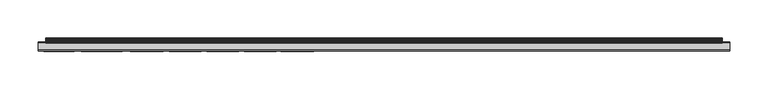
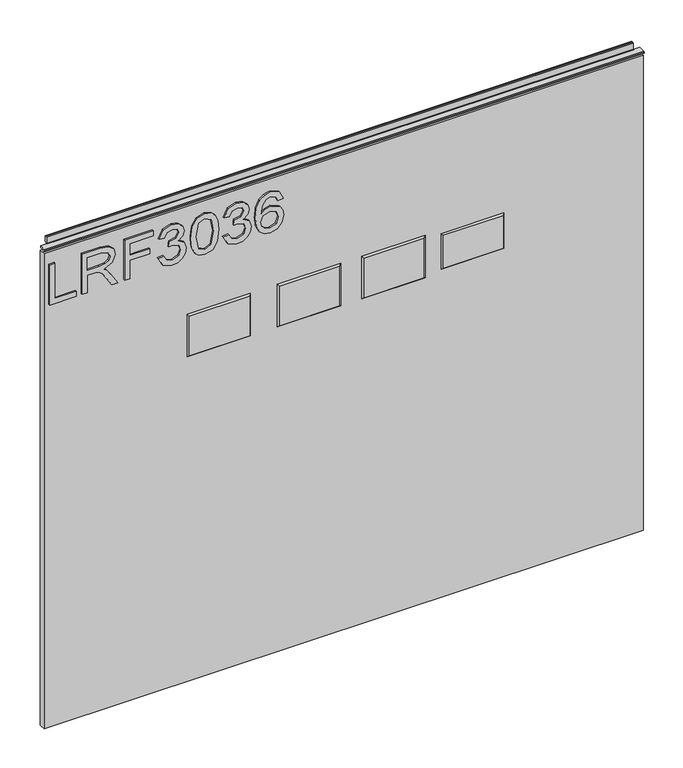
"""IFC4 building model written with IfcOpenShell, lengths in millimetres: furniture geometry."""

from ifc_helpers import new_model, si_unit, frame, origin, place, context, project, spatial, polyline, outline, extrude, faceted_brep, source, transform, mapped, element, save


def furniture_24d2e05a(model_context):
    return source(origin(), model_context, "Body", "SolidModel", [
        extrude(outline(polyline([(773.6078, -291.2164221), (773.6078, -251.347824), (781.5815196, -251.347824), (781.5815196, -283.2427025), (837.3975569, -283.2427025), (837.3975569, -291.2164221), (773.6078, -291.2164221)])), frame((0.0, -5.5495814, 0.0), z_axis=(0.0, 1.0, 0.0), x_axis=(0.0, 0.0, 1.0)), (0.0, 0.0, 1.0), 2.38125),
        extrude(outline(polyline([(773.6078, -242.3773894), (773.6078, -234.4036698), (801.5158187, -234.4036698), (801.5158187, -224.7791411), (801.2354926, -220.1537607), (799.7170596, -216.3615718), (795.58225, -212.1488938), (786.8298468, -206.1530304), (773.6078, -197.8522637), (773.6078, -188.5859294), (790.894575, -199.2227467), (799.1018996, -205.6858203), (802.5125336, -210.2177586), (808.4461023, -196.8633356), (819.9394716, -192.5416418), (829.5873609, -195.1502317), (835.6766663, -202.1272364), (837.3975569, -214.8898599), (837.3975569, -242.3773894), (773.6078, -242.3773894)]), holes=[polyline([(809.4895383, -234.4036698), (829.4238373, -234.4036698), (829.4238373, -214.5472391), (826.6672975, -203.8870612), (819.6435719, -200.5153614), (814.2317211, -202.2829731), (810.6186294, -207.4534319), (809.4895383, -216.5562427), (809.4895383, -234.4036698)])]), frame((0.0, -5.5495814, 0.0), z_axis=(0.0, 1.0, 0.0), x_axis=(0.0, 0.0, 1.0)), (0.0, 0.0, 1.0), 2.38125),
        extrude(outline(polyline([(773.6078, -178.5876325), (773.6078, -170.6139129), (802.5125336, -170.6139129), (802.5125336, -140.7124643), (810.4862532, -140.7124643), (810.4862532, -170.6139129), (829.4238373, -170.6139129), (829.4238373, -135.7288895), (837.3975569, -135.7288895), (837.3975569, -178.5876325), (773.6078, -178.5876325)])), frame((0.0, -5.5495814, 0.0), z_axis=(0.0, 1.0, 0.0), x_axis=(0.0, 0.0, 1.0)), (0.0, 0.0, 1.0), 2.38125),
        extrude(outline(polyline([(790.5519542, -127.7551699), (777.6102335, -121.4166858), (772.611085, -107.4315291), (774.0750101, -98.9088376), (778.4667854, -91.998021), (784.9610063, -87.4193617), (792.7322681, -85.8931419), (803.1043331, -88.9455815), (808.555118, -97.63569), (813.8345925, -91.0947481), (821.1853653, -88.8832868), (829.2291664, -91.2115506), (835.2094562, -97.9393765), (837.3975569, -107.5561185), (832.9590607, -120.2330868), (820.4534028, -126.758455), (819.4566878, -118.7847354), (826.9320499, -114.8757439), (829.4238373, -107.2757924), (826.9554105, -99.7692829), (820.7181552, -96.8570064), (813.6788558, -100.8750136), (811.4829682, -111.2003575), (803.5092486, -112.0880568), (804.3813742, -106.4971088), (801.11869, -97.4332322), (792.8724312, -93.8668615), (784.120028, -97.4643796), (780.5848047, -107.151203), (783.1544604, -115.3818882), (791.5486691, -119.7814503), (790.5519542, -127.7551699)])), frame((0.0, -5.5495814, 0.0), z_axis=(0.0, 1.0, 0.0), x_axis=(0.0, 0.0, 1.0)), (0.0, 0.0, 1.0), 2.38125),
        extrude(outline(polyline([(804.9887473, -78.9161373), (789.4734775, -77.3276228), (778.6848168, -72.5620794), (774.129518, -66.2703163), (772.611085, -57.9851233), (776.1073742, -46.3126568), (786.7130443, -39.3745863), (804.9887473, -37.0541093), (819.9784058, -38.5024607), (829.4160505, -42.2401418), (835.3418324, -48.6720679), (837.3975569, -57.9851233), (833.9246283, -69.6108688), (823.3423188, -76.5722998), (804.9887473, -78.9161373)]), holes=[polyline([(805.004321, -70.9424176), (825.1566514, -67.0801472), (829.4238373, -58.0785653), (824.5804256, -48.6409206), (805.004321, -45.0278289), (785.2179718, -48.76551), (780.5848047, -57.9851233), (785.2023982, -67.2047366), (805.004321, -70.9424176)])]), frame((0.0, -5.5495814, 0.0), z_axis=(0.0, 1.0, 0.0), x_axis=(0.0, 0.0, 1.0)), (0.0, 0.0, 1.0), 2.38125),
        extrude(outline(polyline([(790.5519542, -30.0771046), (777.6102335, -23.7386205), (772.611085, -9.7534638), (774.0750101, -1.2307723), (778.4667854, 5.6800443), (784.9610063, 10.2587036), (792.7322681, 11.7849234), (803.1043331, 8.7324839), (808.555118, 0.0423754), (813.8345925, 6.5833172), (821.1853653, 8.7947785), (829.2291664, 6.4665147), (835.2094562, -0.2613112), (837.3975569, -9.8780531), (832.9590607, -22.5550214), (820.4534028, -29.0803897), (819.4566878, -21.10667), (826.9320499, -17.1976786), (829.4238373, -9.5977271), (826.9554105, -2.0912176), (820.7181552, 0.8210589), (813.6788558, -3.1969482), (811.4829682, -13.5222922), (803.5092486, -14.4099914), (804.3813742, -8.8190435), (801.11869, 0.2448331), (792.8724312, 3.8112038), (784.120028, 0.2136857), (780.5848047, -9.4731377), (783.1544604, -17.7038229), (791.5486691, -22.103385), (790.5519542, -30.0771046)])), frame((0.0, -5.5495814, 0.0), z_axis=(0.0, 1.0, 0.0), x_axis=(0.0, 0.0, 1.0)), (0.0, 0.0, 1.0), 2.38125),
        extrude(outline(polyline([(820.4534028, 59.6272411), (832.896766, 53.7403934), (837.3975569, 41.1412935), (835.5793308, 31.8866394), (830.1246525, 24.7422178), (819.2659103, 19.5094643), (803.3846592, 17.7652131), (789.2593395, 19.3362072), (779.7749738, 24.0491894), (774.4020572, 31.253959), (772.611085, 40.3003152), (775.313117, 50.7502486), (783.0999526, 57.9920056), (794.1027512, 60.6239561), (802.2750351, 59.2262191), (808.7887231, 55.0330081), (814.473113, 41.4839142), (812.3940279, 32.7704452), (806.0321833, 25.7389327), (820.2431582, 28.0049019), (827.4927021, 33.4478999), (829.4238373, 40.642936), (826.1066454, 48.6322293), (819.4566878, 51.6535215), (820.4534028, 59.6272411)]), holes=[polyline([(794.2273406, 25.7389327), (803.11212, 29.702432), (806.4993934, 39.3503213), (803.11212, 49.1227999), (793.8379988, 52.6502364), (784.1511754, 49.0760789), (780.5848047, 39.6773684), (782.3056953, 32.4901192), (787.3204174, 27.5844128), (794.2273406, 25.7389327)])]), frame((0.0, -5.5495814, 0.0), z_axis=(0.0, 1.0, 0.0), x_axis=(0.0, 0.0, 1.0)), (0.0, 0.0, 1.0), 2.38125),
        faceted_brep([(390.652, -5.2069939, 677.1132), (300.99, -5.2069939, 677.1132), (300.99, -5.2069939, 625.0432), (390.652, -5.2069939, 625.0432), (392.938, -3.1749939, 679.3992), (392.938, -3.1749939, 622.7572), (298.704, -3.1749939, 622.7572), (298.704, -3.1749939, 679.3992)], [[[0, 1, 2, 3]], [[4, 5, 6, 7]], [[4, 7, 1, 0]], [[7, 6, 2, 1]], [[6, 5, 3, 2]], [[5, 4, 0, 3]]]),
        faceted_brep([(272.4023, -5.2069939, 682.5742), (181.7243, -5.2069939, 682.5742), (181.7243, -5.2069939, 619.5822), (272.4023, -5.2069939, 619.5822), (274.6883, -3.1749939, 684.8602), (274.6883, -3.1749939, 617.2962), (179.4383, -3.1749939, 617.2962), (179.4383, -3.1749939, 684.8602)], [[[0, 1, 2, 3]], [[4, 5, 6, 7]], [[4, 7, 1, 0]], [[7, 6, 2, 1]], [[6, 5, 3, 2]], [[5, 4, 0, 3]]]),
        faceted_brep([(145.4023, -5.2069939, 682.5742), (54.7243, -5.2069939, 682.5742), (54.7243, -5.2069939, 619.5822), (145.4023, -5.2069939, 619.5822), (147.6883, -3.1749939, 684.8602), (147.6883, -3.1749939, 617.2962), (52.4383, -3.1749939, 617.2962), (52.4383, -3.1749939, 684.8602)], [[[0, 1, 2, 3]], [[4, 5, 6, 7]], [[4, 7, 1, 0]], [[7, 6, 2, 1]], [[6, 5, 3, 2]], [[5, 4, 0, 3]]]),
        faceted_brep([(9.6647, -5.2069939, 682.5742), (-81.0133, -5.2069939, 682.5742), (-81.0133, -5.2069939, 619.5822), (9.6647, -5.2069939, 619.5822), (11.9507, -3.1749939, 684.8602), (11.9507, -3.1749939, 617.2962), (-83.2993, -3.1749939, 617.2962), (-83.2993, -3.1749939, 684.8602)], [[[0, 1, 2, 3]], [[4, 5, 6, 7]], [[4, 7, 1, 0]], [[7, 6, 2, 1]], [[6, 5, 3, 2]], [[5, 4, 0, 3]]]),
        extrude(outline(polyline([(-298.196, 6.3500061), (602.488, 6.3500061), (602.488, -3.1749939), (-298.196, -3.1749939), (-298.196, 6.3500061)])), frame((0.0, 0.0, 101.6), z_axis=(0.0, 0.0, 1.0), x_axis=(1.0, 0.0, 0.0)), (0.0, 0.0, 1.0), 754.5578),
        extrude(outline(polyline([(5.5562561, 863.6), (6.3500061, 863.6), (6.3500061, 873.47425), (7.1437561, 874.268), (8.6677569, 874.268), (10.0084363, 873.8506926), (10.875413, 872.7461816), (10.9623604, 871.3447591), (10.2390011, 868.3863459), (10.4046103, 867.1833307), (11.6746103, 864.9836103), (10.7786383, 864.4663244), (7.1437561, 864.4663244), (7.1437561, 863.6), (6.3500061, 863.3669239), (6.3500061, 856.1578), (5.5562561, 856.1578), (5.5562561, 863.6)])), frame((-288.671, 0.0, 0.0), z_axis=(1.0, 0.0, 0.0), x_axis=(0.0, 1.0, 0.0)), (0.0, 0.0, 1.0), 881.634),
        extrude(outline(polyline([(5.5562561, 863.6), (5.5562561, 860.4249996), (-3.975094, 860.4249996), (-5.3492339, 861.2183657), (-5.3492339, 862.8066395), (-3.9751037, 863.6), (5.5562561, 863.6)])), frame((-298.196, 0.0, 0.0), z_axis=(1.0, 0.0, 0.0), x_axis=(0.0, 1.0, 0.0)), (0.0, 0.0, 1.0), 900.684),
    ])


if __name__ == "__main__":
    model = new_model("IFC4")
    model_context = context("Model", 3, world=origin())
    ifc_project = project(units=[si_unit("LENGTHUNIT", "METRE", prefix="MILLI")], contexts=[model_context])
    site = spatial("IfcSite", under=ifc_project)
    building = spatial("IfcBuilding", under=site)
    placement = place(None, origin())
    furniture_shape = furniture_24d2e05a(model_context)
    element("IfcFurniture", 1, at=placement, inside=building, context=model_context, shape_type="MappedRepresentation", body=[
        mapped(furniture_shape, transform((0.0, 0.0, 0.0), x_axis=(1.0, 0.0, 0.0), y_axis=(0.0, 1.0, 0.0), z_axis=(0.0, 0.0, 1.0))),
    ])
    save(model, "model.ifc")
